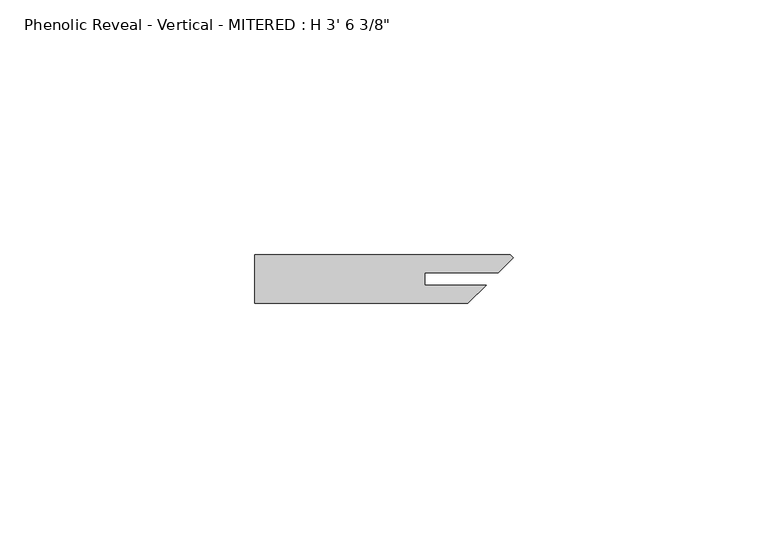
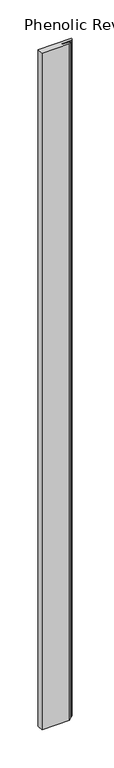
"""IFC4 building model written with IfcOpenShell, lengths in millimetres: proxy geometry."""

from ifc_helpers import new_model, si_unit, origin, origin_with_axes, place, context, project, spatial, polyline, outline, extrude, source, transform, mapped, element, save


def proxy_4fc692db(model_context):
    return source(origin(), model_context, "Body", "SweptSolid", [
        extrude(outline(polyline([(33.3941322, 5.969), (33.3941322, 3.556), (45.4493619, 3.556), (41.8933619, 0.0), (0.0, 0.0), (0.0, 9.525), (50.1816381, 9.525), (50.8, 8.9066381), (47.8623619, 5.969), (33.3941322, 5.969)])), origin_with_axes(), (0.0, 0.0, 1.0), 1076.325),
    ])


if __name__ == "__main__":
    model = new_model("IFC4")
    model_context = context("Model", 3, world=origin())
    ifc_project = project(units=[si_unit("LENGTHUNIT", "METRE", prefix="MILLI")], contexts=[model_context])
    site = spatial("IfcSite", under=ifc_project)
    building = spatial("IfcBuilding", under=site)
    placement = place(None, origin())
    proxy_shape = proxy_4fc692db(model_context)
    element("IfcBuildingElementProxy", 1, Name="Phenolic Reveal - Vertical - MITERED : H 3' 6 3/8\"", ObjectType="Phenolic Reveal - Vertical - MITERED : H 3' 6 3/8\"", at=placement, inside=building, context=model_context, shape_type="MappedRepresentation", body=[
        mapped(proxy_shape, transform((0.0, 0.0, 0.0), x_axis=(1.0, 0.0, 0.0), y_axis=(0.0, 1.0, 0.0), z_axis=(0.0, 0.0, 1.0))),
    ])
    save(model, "model.ifc")
